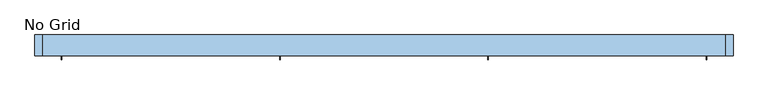
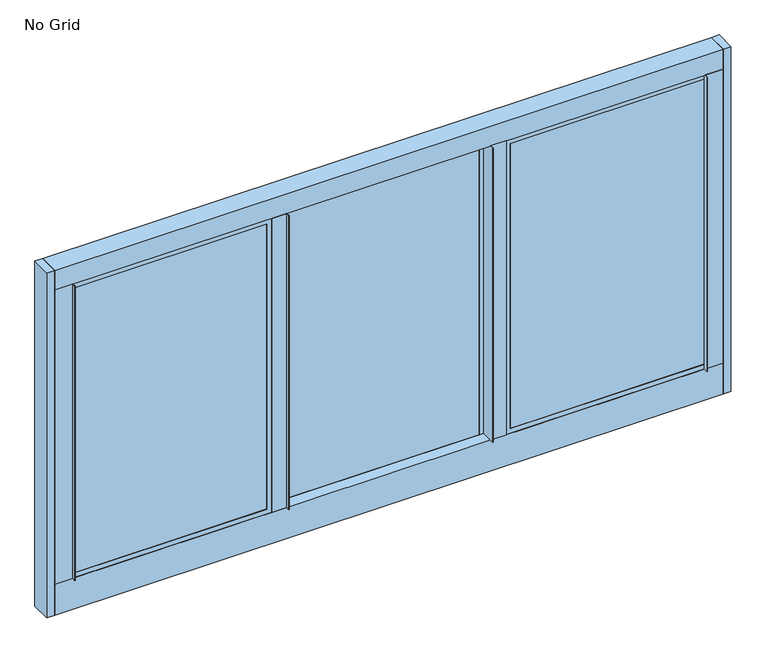
"""IFC4 building model written with IfcOpenShell, lengths in millimetres: window geometry, No Grid."""

from ifc_helpers import new_model, si_unit, point, frame, frame_2d, origin, place, context, project, spatial, polyline, circle_curve, trimmed, segment, composite_curve, outline, extrude, faceted_brep, source, transform, mapped, element, save


def no_grid_900c8a95(model_context):
    return source(origin(), model_context, "Body", "SolidModel", [
        extrude(outline(polyline([(-1055.0144, 37.8203269), (-1055.0144, 40.9953269), (-407.3990667, 40.9953269), (-407.3990667, 37.8203269), (-1055.0144, 37.8203269)])), frame((0.0, 0.0, 1039.6982), z_axis=(0.0, 0.0, 1.0), x_axis=(1.0, 0.0, 0.0)), (0.0, 0.0, 1.0), 1008.1768),
        extrude(outline(polyline([(-1055.0144, 44.8307269), (-1055.0144, 48.0057269), (-407.3990667, 48.0057269), (-407.3990667, 44.8307269), (-1055.0144, 44.8307269)])), frame((0.0, 0.0, 1039.6982), z_axis=(0.0, 0.0, 1.0), x_axis=(1.0, 0.0, 0.0)), (0.0, 0.0, 1.0), 1008.1768),
        extrude(outline(polyline([(-339.6826667, 21.6408), (-341.2066667, 21.6408), (-341.2066667, 34.3408), (-391.5240667, 34.3408), (-391.5240667, 73.076068), (-339.6826667, 73.076068), (-339.6826667, 21.6408)])), frame((0.0, 0.0, 1023.8232), z_axis=(0.0, 0.0, 1.0), x_axis=(1.0, 0.0, 0.0)), (0.0, 0.0, 1.0), 1039.9268),
        extrude(outline(composite_curve([segment(trimmed(circle_curve(frame_2d((-1079.525936, 64.439532)), 8.636536), [point((-1079.525936, 73.076068))], [point((-1070.8894, 64.439532))], False, "CARTESIAN"), True, "CONTINUOUS"), segment(polyline([(-1070.8894, 64.439532), (-1070.8894, 35.9156), (-1055.0144, 35.9156), (-1055.0144, 21.6408), (-1056.5384, 21.6408), (-1056.5384, 34.3408), (-1116.6602, 34.3408), (-1116.6602, 73.076068), (-1079.525936, 73.076068)]), True, "CONTINUOUS")], self_intersect=False)), frame((0.0, 0.0, 1023.8232), z_axis=(0.0, 0.0, 1.0), x_axis=(1.0, 0.0, 0.0)), (0.0, 0.0, 1.0), 1039.9268),
        extrude(outline(polyline([(-339.6826667, 103.1748), (-339.6826667, 73.076068), (-391.5240667, 73.076068), (-391.5240667, 103.1748), (-339.6826667, 103.1748)])), frame((0.0, 0.0, 1007.9482), z_axis=(0.0, 0.0, 1.0), x_axis=(1.0, 0.0, 0.0)), (0.0, 0.0, 1.0), 1071.6768),
        faceted_brep([(-1067.7906, 48.0057269, 2060.6512), (-1067.7906, 37.8203269, 2060.6512), (-1067.7906, 37.8203269, 1026.922), (-1067.7906, 48.0057269, 1026.922), (-1055.0144, 37.8203269, 2047.875), (-1055.0144, 35.9156, 2047.875), (-1055.0144, 35.9156, 1039.6982), (-1055.0144, 37.8203269, 1039.6982), (-1070.8894, 35.9156, 2063.75), (-1070.8894, 64.439532, 2063.75), (-1070.8894, 64.439532, 1023.8232), (-1070.8894, 35.9156, 1023.8232), (-1055.0144, 64.439532, 2047.875), (-1055.0144, 48.0057269, 2047.875), (-1055.0144, 48.0057269, 1039.6982), (-1055.0144, 64.439532, 1039.6982), (-394.6228667, 37.8203269, 1026.922), (-394.6228667, 48.0057269, 1026.922), (-407.3990667, 35.9156, 1039.6982), (-407.3990667, 37.8203269, 1039.6982), (-391.5240667, 64.439532, 1023.8232), (-391.5240667, 35.9156, 1023.8232), (-407.3990667, 48.0057269, 1039.6982), (-407.3990667, 64.439532, 1039.6982), (-394.6228667, 37.8203269, 2060.6512), (-394.6228667, 48.0057269, 2060.6512), (-407.3990667, 35.9156, 2047.875), (-407.3990667, 37.8203269, 2047.875), (-391.5240667, 64.439532, 2063.75), (-391.5240667, 35.9156, 2063.75), (-407.3990667, 48.0057269, 2047.875), (-407.3990667, 64.439532, 2047.875)], [[[0, 1, 2, 3]], [[4, 5, 6, 7]], [[8, 9, 10, 11]], [[12, 13, 14, 15]], [[3, 2, 16, 17]], [[7, 6, 18, 19]], [[11, 10, 20, 21]], [[15, 14, 22, 23]], [[17, 16, 24, 25]], [[19, 18, 26, 27]], [[21, 20, 28, 29]], [[23, 22, 30, 31]], [[3, 17, 25, 0], [13, 30, 22, 14]], [[25, 24, 1, 0]], [[1, 24, 16, 2], [7, 19, 27, 4]], [[27, 26, 5, 4]], [[11, 21, 29, 8], [5, 26, 18, 6]], [[29, 28, 9, 8]], [[9, 28, 20, 10], [15, 23, 31, 12]], [[31, 30, 13, 12]]]),
        extrude(outline(polyline([(339.6826667, 21.6408), (339.6826667, 73.076068), (391.5240667, 73.076068), (391.5240667, 34.3408), (341.2066667, 34.3408), (341.2066667, 21.6408), (339.6826667, 21.6408)])), frame((0.0, 0.0, 1023.8232), z_axis=(0.0, 0.0, 1.0), x_axis=(1.0, 0.0, 0.0)), (0.0, 0.0, 1.0), 1039.9268),
        extrude(outline(composite_curve([segment(polyline([(1079.525936, 73.076068), (1116.6602, 73.076068), (1116.6602, 34.3408), (1056.5384, 34.3408), (1056.5384, 21.6408), (1055.0144, 21.6408), (1055.0144, 35.9156), (1070.8894, 35.9156), (1070.8894, 64.439532)]), True, "CONTINUOUS"), segment(trimmed(circle_curve(frame_2d((1079.525936, 64.439532)), 8.636536), [point((1070.8894, 64.439532))], [point((1079.525936, 73.076068))], False, "CARTESIAN"), True, "CONTINUOUS")], self_intersect=False)), frame((0.0, 0.0, 1023.8232), z_axis=(0.0, 0.0, 1.0), x_axis=(1.0, 0.0, 0.0)), (0.0, 0.0, 1.0), 1039.9268),
        extrude(outline(polyline([(339.6826667, 103.1748), (391.5240667, 103.1748), (391.5240667, 73.076068), (339.6826667, 73.076068), (339.6826667, 103.1748)])), frame((0.0, 0.0, 1007.9482), z_axis=(0.0, 0.0, 1.0), x_axis=(1.0, 0.0, 0.0)), (0.0, 0.0, 1.0), 1071.6768),
        extrude(outline(polyline([(103.1748, 914.4), (34.3408, 914.4), (34.3408, 1023.8232), (73.076068, 1023.8232), (73.076068, 1007.9482), (103.1748, 1007.9482), (103.1748, 914.4)])), frame((-1116.6602, 0.0, 0.0), z_axis=(1.0, 0.0, 0.0), x_axis=(0.0, 1.0, 0.0)), (0.0, 0.0, 1.0), 2233.3204),
        extrude(outline(polyline([(103.1748, 2079.625), (73.076068, 2079.625), (73.076068, 2063.75), (34.3408, 2063.75), (34.3408, 2133.6), (103.1748, 2133.6), (103.1748, 2079.625)])), frame((-1116.6602, 0.0, 0.0), z_axis=(1.0, 0.0, 0.0), x_axis=(0.0, 1.0, 0.0)), (0.0, 0.0, 1.0), 2233.3204),
        extrude(outline(polyline([(-323.8076667, 74.9807949), (-323.8076667, 78.1557949), (323.8076667, 78.1557949), (323.8076667, 74.9807949), (-323.8076667, 74.9807949)])), frame((0.0, 0.0, 1023.8232), z_axis=(0.0, 0.0, 1.0), x_axis=(1.0, 0.0, 0.0)), (0.0, 0.0, 1.0), 1039.9268),
        extrude(outline(polyline([(-323.8076667, 81.9911949), (-323.8076667, 85.1661949), (323.8076667, 85.1661949), (323.8076667, 81.9911949), (-323.8076667, 81.9911949)])), frame((0.0, 0.0, 1023.8232), z_axis=(0.0, 0.0, 1.0), x_axis=(1.0, 0.0, 0.0)), (0.0, 0.0, 1.0), 1039.9268),
        extrude(outline(polyline([(1116.6602, 103.1748), (1143.0, 103.1748), (1143.0, 34.3408), (1116.6602, 34.3408), (1116.6602, 103.1748)])), frame((0.0, 0.0, 914.4), z_axis=(0.0, 0.0, 1.0), x_axis=(1.0, 0.0, 0.0)), (0.0, 0.0, 1.0), 1219.2),
        extrude(outline(polyline([(-1116.6602, 103.1748), (-1116.6602, 34.3408), (-1143.0, 34.3408), (-1143.0, 103.1748), (-1116.6602, 103.1748)])), frame((0.0, 0.0, 914.4), z_axis=(0.0, 0.0, 1.0), x_axis=(1.0, 0.0, 0.0)), (0.0, 0.0, 1.0), 1219.2),
        extrude(outline(polyline([(1055.0144, 40.9953269), (1055.0144, 37.8203269), (407.3990667, 37.8203269), (407.3990667, 40.9953269), (1055.0144, 40.9953269)])), frame((0.0, 0.0, 1039.6982), z_axis=(0.0, 0.0, 1.0), x_axis=(1.0, 0.0, 0.0)), (0.0, 0.0, 1.0), 1008.1768),
        extrude(outline(polyline([(1055.0144, 48.0057269), (1055.0144, 44.8307269), (407.3990667, 44.8307269), (407.3990667, 48.0057269), (1055.0144, 48.0057269)])), frame((0.0, 0.0, 1039.6982), z_axis=(0.0, 0.0, 1.0), x_axis=(1.0, 0.0, 0.0)), (0.0, 0.0, 1.0), 1008.1768),
        faceted_brep([(1067.7906, 37.8203269, 2060.6512), (1067.7906, 48.0057269, 2060.6512), (1067.7906, 48.0057269, 1026.922), (1067.7906, 37.8203269, 1026.922), (1055.0144, 35.9156, 2047.875), (1055.0144, 37.8203269, 2047.875), (1055.0144, 37.8203269, 1039.6982), (1055.0144, 35.9156, 1039.6982), (1070.8894, 64.439532, 2063.75), (1070.8894, 35.9156, 2063.75), (1070.8894, 35.9156, 1023.8232), (1070.8894, 64.439532, 1023.8232), (1055.0144, 48.0057269, 2047.875), (1055.0144, 64.439532, 2047.875), (1055.0144, 64.439532, 1039.6982), (1055.0144, 48.0057269, 1039.6982), (394.6228667, 48.0057269, 1026.922), (394.6228667, 37.8203269, 1026.922), (407.3990667, 37.8203269, 1039.6982), (407.3990667, 35.9156, 1039.6982), (391.5240667, 35.9156, 1023.8232), (391.5240667, 64.439532, 1023.8232), (407.3990667, 64.439532, 1039.6982), (407.3990667, 48.0057269, 1039.6982), (394.6228667, 48.0057269, 2060.6512), (394.6228667, 37.8203269, 2060.6512), (407.3990667, 37.8203269, 2047.875), (407.3990667, 35.9156, 2047.875), (391.5240667, 35.9156, 2063.75), (391.5240667, 64.439532, 2063.75), (407.3990667, 64.439532, 2047.875), (407.3990667, 48.0057269, 2047.875)], [[[0, 1, 2, 3]], [[4, 5, 6, 7]], [[8, 9, 10, 11]], [[12, 13, 14, 15]], [[3, 2, 16, 17]], [[7, 6, 18, 19]], [[11, 10, 20, 21]], [[15, 14, 22, 23]], [[17, 16, 24, 25]], [[19, 18, 26, 27]], [[21, 20, 28, 29]], [[23, 22, 30, 31]], [[1, 24, 16, 2], [15, 23, 31, 12]], [[25, 24, 1, 0]], [[3, 17, 25, 0], [5, 26, 18, 6]], [[27, 26, 5, 4]], [[9, 28, 20, 10], [7, 19, 27, 4]], [[29, 28, 9, 8]], [[11, 21, 29, 8], [13, 30, 22, 14]], [[31, 30, 13, 12]]]),
        faceted_brep([(-323.8076667, 101.6, 2063.75), (-323.8076667, 85.1661949, 2063.75), (-323.8076667, 85.1661949, 1023.8232), (-323.8076667, 101.6, 1023.8232), (-339.6826667, 73.076068, 2079.625), (-339.6826667, 101.6, 2079.625), (-339.6826667, 101.6, 1007.9482), (-339.6826667, 73.076068, 1007.9482), (-323.8076667, 74.9807949, 2063.75), (-323.8076667, 73.076068, 2063.75), (-323.8076667, 73.076068, 1023.8232), (-323.8076667, 74.9807949, 1023.8232), (-336.5838667, 85.1661949, 2076.5262), (-336.5838667, 74.9807949, 2076.5262), (-336.5838667, 74.9807949, 1011.047), (-336.5838667, 85.1661949, 1011.047), (323.8076667, 85.1661949, 1023.8232), (323.8076667, 101.6, 1023.8232), (339.6826667, 101.6, 1007.9482), (339.6826667, 73.076068, 1007.9482), (323.8076667, 73.076068, 1023.8232), (323.8076667, 74.9807949, 1023.8232), (336.5838667, 74.9807949, 1011.047), (336.5838667, 85.1661949, 1011.047), (323.8076667, 85.1661949, 2063.75), (323.8076667, 101.6, 2063.75), (339.6826667, 101.6, 2079.625), (339.6826667, 73.076068, 2079.625), (323.8076667, 73.076068, 2063.75), (323.8076667, 74.9807949, 2063.75), (336.5838667, 74.9807949, 2076.5262), (336.5838667, 85.1661949, 2076.5262)], [[[0, 1, 2, 3]], [[4, 5, 6, 7]], [[8, 9, 10, 11]], [[12, 13, 14, 15]], [[3, 2, 16, 17]], [[7, 6, 18, 19]], [[11, 10, 20, 21]], [[15, 14, 22, 23]], [[17, 16, 24, 25]], [[19, 18, 26, 27]], [[21, 20, 28, 29]], [[23, 22, 30, 31]], [[25, 24, 1, 0]], [[5, 26, 18, 6], [3, 17, 25, 0]], [[27, 26, 5, 4]], [[7, 19, 27, 4], [9, 28, 20, 10]], [[29, 28, 9, 8]], [[13, 30, 22, 14], [11, 21, 29, 8]], [[31, 30, 13, 12]], [[15, 23, 31, 12], [1, 24, 16, 2]]]),
    ])


if __name__ == "__main__":
    model = new_model("IFC4")
    model_context = context("Model", 3, world=origin())
    ifc_project = project(units=[si_unit("LENGTHUNIT", "METRE", prefix="MILLI")], contexts=[model_context])
    site = spatial("IfcSite", under=ifc_project)
    building = spatial("IfcBuilding", under=site)
    placement = place(None, origin())
    no_grid_shape = no_grid_900c8a95(model_context)
    element("IfcWindow", 1, ObjectType="No Grid", at=placement, inside=building, context=model_context, shape_type="MappedRepresentation", body=[
        mapped(no_grid_shape, transform((0.0, 0.0, 0.0), x_axis=(1.0, 0.0, 0.0), y_axis=(0.0, 1.0, 0.0), z_axis=(0.0, 0.0, 1.0))),
    ])
    save(model, "model.ifc")
